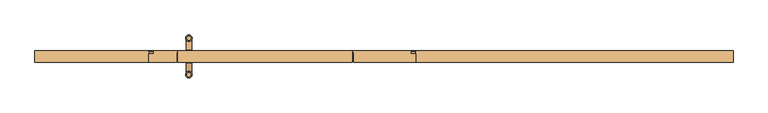
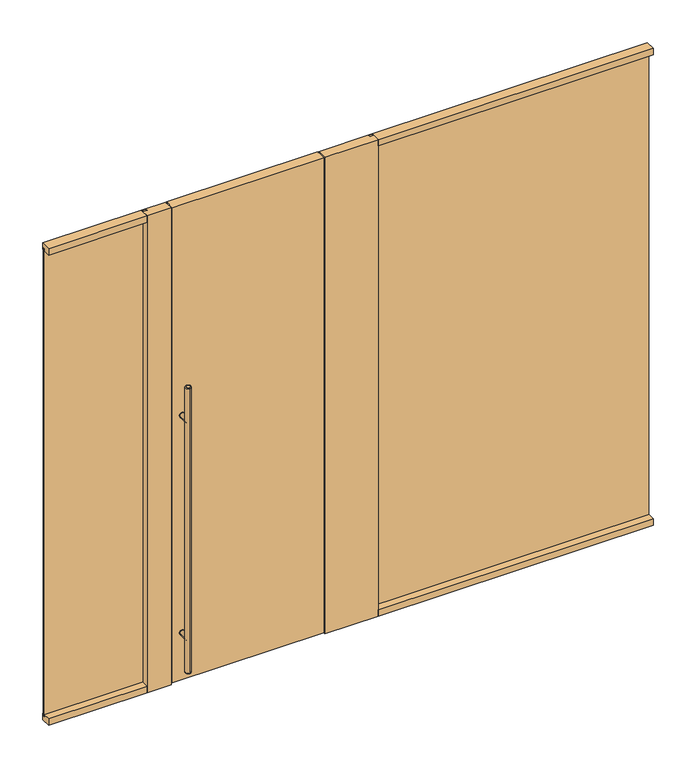
"""IFC4 building model written with IfcOpenShell, lengths in millimetres: door geometry."""

from ifc_helpers import new_model, si_unit, point, frame, frame_2d, origin, origin_with_axes, place, context, project, spatial, polyline, circle_curve, ellipse_curve, trimmed, segment, composite_curve, outline, extrude, faceted_brep, source, transform, mapped, element, save
from ifc_brep_helpers import plane_surface, cylinder_surface, revolved_surface, advanced_brep


def door_75eeff13(model_context):
    return source(origin(), model_context, "Body", "SolidModel", [
        extrude(outline(composite_curve([segment(trimmed(circle_curve(frame_2d((312.7375, -1022.35)), 15.875), [point((312.7375, -1006.475))], [point((312.7375, -1038.225))], False, "CARTESIAN"), True, "CONTINUOUS"), segment(trimmed(circle_curve(frame_2d((312.7375, -1022.35)), 15.875), [point((312.7375, -1038.225))], [point((312.7375, -1006.475))], False, "CARTESIAN"), True, "CONTINUOUS")], self_intersect=False)), frame((0.0, 30.1625, 0.0), z_axis=(0.0, 1.0, 0.0), x_axis=(0.0, 0.0, 1.0)), (0.0, 0.0, 1.0), 3.175),
        extrude(outline(composite_curve([segment(trimmed(circle_curve(frame_2d((1703.3875, -1022.35)), 15.875), [point((1703.3875, -1038.225))], [point((1703.3875, -1006.475))], False, "CARTESIAN"), True, "CONTINUOUS"), segment(trimmed(circle_curve(frame_2d((1703.3875, -1022.35)), 15.875), [point((1703.3875, -1006.475))], [point((1703.3875, -1038.225))], False, "CARTESIAN"), True, "CONTINUOUS")], self_intersect=False)), frame((0.0, 30.1625, 0.0), z_axis=(0.0, 1.0, 0.0), x_axis=(0.0, 0.0, 1.0)), (0.0, 0.0, 1.0), 3.175),
        extrude(outline(composite_curve([segment(trimmed(circle_curve(frame_2d((312.7375, -1022.35)), 15.875), [point((312.7375, -1006.475))], [point((312.7375, -1038.225))], False, "CARTESIAN"), True, "CONTINUOUS"), segment(trimmed(circle_curve(frame_2d((312.7375, -1022.35)), 15.875), [point((312.7375, -1038.225))], [point((312.7375, -1006.475))], False, "CARTESIAN"), True, "CONTINUOUS")], self_intersect=False)), frame((0.0, -33.3375, 0.0), z_axis=(0.0, 1.0, 0.0), x_axis=(0.0, 0.0, 1.0)), (0.0, 0.0, 1.0), 3.175),
        extrude(outline(composite_curve([segment(trimmed(circle_curve(frame_2d((1703.3875, -1022.35)), 15.875), [point((1703.3875, -1006.475))], [point((1703.3875, -1038.225))], False, "CARTESIAN"), True, "CONTINUOUS"), segment(trimmed(circle_curve(frame_2d((1703.3875, -1022.35)), 15.875), [point((1703.3875, -1038.225))], [point((1703.3875, -1006.475))], False, "CARTESIAN"), True, "CONTINUOUS")], self_intersect=False)), frame((0.0, -33.3375, 0.0), z_axis=(0.0, 1.0, 0.0), x_axis=(0.0, 0.0, 1.0)), (0.0, 0.0, 1.0), 3.175),
        extrude(outline(composite_curve([segment(trimmed(circle_curve(frame_2d((312.7375, -1022.35)), 14.2875), [point((312.7375, -1036.6375))], [point((312.7375, -1008.0625))], False, "CARTESIAN"), True, "CONTINUOUS"), segment(trimmed(circle_curve(frame_2d((312.7375, -1022.35)), 14.2875), [point((312.7375, -1008.0625))], [point((312.7375, -1036.6375))], False, "CARTESIAN"), True, "CONTINUOUS")], self_intersect=False)), frame((0.0, -95.25, 0.0), z_axis=(0.0, 1.0, 0.0), x_axis=(0.0, 0.0, 1.0)), (0.0, 0.0, 1.0), 65.0875),
        extrude(outline(composite_curve([segment(trimmed(circle_curve(frame_2d((1703.3875, -1022.35)), 14.2875), [point((1703.3875, -1036.6375))], [point((1703.3875, -1008.0625))], False, "CARTESIAN"), True, "CONTINUOUS"), segment(trimmed(circle_curve(frame_2d((1703.3875, -1022.35)), 14.2875), [point((1703.3875, -1008.0625))], [point((1703.3875, -1036.6375))], False, "CARTESIAN"), True, "CONTINUOUS")], self_intersect=False)), frame((0.0, -95.25, 0.0), z_axis=(0.0, 1.0, 0.0), x_axis=(0.0, 0.0, 1.0)), (0.0, 0.0, 1.0), 65.0875),
        advanced_brep(
        [(-1022.35, 84.455, 1924.05), (-1022.35, 106.045, 1924.05), (-1022.35, 106.045, 95.25), (-1022.35, 84.455, 95.25), (-1022.35, 112.395, 101.6), (-1022.35, 78.105, 101.6), (-1022.35, 78.105, 1917.7), (-1022.35, 112.395, 1917.7)],
        [
            (0, 1, circle_curve(frame((-1022.35, 95.25, 1924.05), z_axis=(0.0, 0.0, 1.0), x_axis=(0.0, -1.0, 0.0)), 10.795)),
            (1, 0, circle_curve(frame((-1022.35, 95.25, 1924.05), z_axis=(0.0, 0.0, 1.0), x_axis=(0.0, -1.0, 0.0)), 10.795)),
            (2, 3, circle_curve(frame((-1022.35, 95.25, 95.25), z_axis=(0.0, 0.0, -1.0), x_axis=(0.0, -1.0, 0.0)), 10.795)),
            (3, 2, circle_curve(frame((-1022.35, 95.25, 95.25), z_axis=(0.0, 0.0, -1.0), x_axis=(0.0, -1.0, 0.0)), 10.795)),
            (4, 5, circle_curve(frame((-1022.35, 95.25, 101.6), z_axis=(0.0, 0.0, 1.0), x_axis=(0.0, -1.0, 0.0)), 17.145)),
            (5, 6),
            (6, 7, circle_curve(frame((-1022.35, 95.25, 1917.7), z_axis=(0.0, 0.0, -1.0), x_axis=(0.0, -1.0, 0.0)), 17.145)),
            (7, 4),
            (5, 4, circle_curve(frame((-1022.35, 95.25, 101.6), z_axis=(0.0, 0.0, 1.0), x_axis=(0.0, -1.0, 0.0)), 17.145)),
            (7, 6, circle_curve(frame((-1022.35, 95.25, 1917.7), z_axis=(0.0, 0.0, -1.0), x_axis=(0.0, -1.0, 0.0)), 17.145)),
            (2, 4, circle_curve(frame((-1022.35, 106.045, 101.6), z_axis=(1.0, 0.0, 0.0), x_axis=(0.0, 1.0, 0.0)), 6.35)),
            (5, 3, circle_curve(frame((-1022.35, 84.455, 101.6), z_axis=(1.0, 0.0, 0.0), x_axis=(0.0, -1.0, 0.0)), 6.35)),
            (7, 1, circle_curve(frame((-1022.35, 106.045, 1917.7), z_axis=(1.0, 0.0, 0.0), x_axis=(0.0, 1.0, 0.0)), 6.35)),
            (0, 6, circle_curve(frame((-1022.35, 84.455, 1917.7), z_axis=(1.0, 0.0, 0.0), x_axis=(0.0, -1.0, 0.0)), 6.35)),
        ],
        [
            plane_surface(frame((-1022.35, -112.395, 1924.05), z_axis=(0.0, 0.0, 1.0), x_axis=(1.0, 0.0, 0.0))),
            plane_surface(frame((-1022.35, -112.395, 95.25), z_axis=(0.0, 0.0, -1.0), x_axis=(-1.0, 0.0, 0.0))),
            cylinder_surface(frame((-1022.35, 95.25, 95.25), z_axis=(0.0, 0.0, 1.0), x_axis=(0.0, -1.0, 0.0)), 17.145),
            revolved_surface(trimmed(ellipse_curve(frame((-1022.35, 84.455, 101.6), z_axis=(-1.0, 0.0, 0.0), x_axis=(0.0, -1.0, 0.0)), 6.35, 6.35), [point((-1022.35, 84.455, 95.25))], [point((-1022.35, 78.105, 101.6))], True, "CARTESIAN"), (-1022.35, 95.25, 2533.65), (0.0, 0.0, 1.0)),
            revolved_surface(trimmed(ellipse_curve(frame((-1022.35, 84.455, 1917.7), z_axis=(-1.0, 0.0, 0.0), x_axis=(0.0, -1.0, 0.0)), 6.35, 6.35), [point((-1022.35, 78.105, 1917.7))], [point((-1022.35, 84.455, 1924.05))], True, "CARTESIAN"), (-1022.35, 95.25, -514.35), (0.0, 0.0, 1.0)),
        ],
        [
            (0, [[1, 2]]),
            (1, [[3, 4]]),
            (2, [[5, 6, 7, 8]]),
            (2, [[9, -8, 10, -6]]),
            (3, [[11, -9, 12, -3]]),
            (3, [[-11, -4, -12, -5]]),
            (4, [[13, -1, 14, -10]]),
            (4, [[-13, -7, -14, -2]]),
        ],
    ),
        advanced_brep(
        [(-1022.35, -106.045, 1924.05), (-1022.35, -84.455, 1924.05), (-1022.35, -84.455, 95.25), (-1022.35, -106.045, 95.25), (-1022.35, -78.105, 101.6), (-1022.35, -112.395, 101.6), (-1022.35, -112.395, 1917.7), (-1022.35, -78.105, 1917.7)],
        [
            (0, 1, circle_curve(frame((-1022.35, -95.25, 1924.05), z_axis=(0.0, 0.0, 1.0), x_axis=(0.0, 1.0, 0.0)), 10.795)),
            (1, 0, circle_curve(frame((-1022.35, -95.25, 1924.05), z_axis=(0.0, 0.0, 1.0), x_axis=(0.0, 1.0, 0.0)), 10.795)),
            (2, 3, circle_curve(frame((-1022.35, -95.25, 95.25), z_axis=(0.0, 0.0, -1.0), x_axis=(0.0, 1.0, 0.0)), 10.795)),
            (3, 2, circle_curve(frame((-1022.35, -95.25, 95.25), z_axis=(0.0, 0.0, -1.0), x_axis=(0.0, 1.0, 0.0)), 10.795)),
            (4, 5, circle_curve(frame((-1022.35, -95.25, 101.6), z_axis=(0.0, 0.0, 1.0), x_axis=(0.0, -1.0, 0.0)), 17.145)),
            (5, 6),
            (6, 7, circle_curve(frame((-1022.35, -95.25, 1917.7), z_axis=(0.0, 0.0, -1.0), x_axis=(0.0, -1.0, 0.0)), 17.145)),
            (7, 4),
            (5, 4, circle_curve(frame((-1022.35, -95.25, 101.6), z_axis=(0.0, 0.0, 1.0), x_axis=(0.0, -1.0, 0.0)), 17.145)),
            (7, 6, circle_curve(frame((-1022.35, -95.25, 1917.7), z_axis=(0.0, 0.0, -1.0), x_axis=(0.0, -1.0, 0.0)), 17.145)),
            (5, 3, circle_curve(frame((-1022.35, -106.045, 101.6), z_axis=(1.0, 0.0, 0.0), x_axis=(0.0, -1.0, 0.0)), 6.35)),
            (2, 4, circle_curve(frame((-1022.35, -84.455, 101.6), z_axis=(1.0, 0.0, 0.0), x_axis=(0.0, 1.0, 0.0)), 6.35)),
            (0, 6, circle_curve(frame((-1022.35, -106.045, 1917.7), z_axis=(1.0, 0.0, 0.0), x_axis=(0.0, -1.0, 0.0)), 6.35)),
            (7, 1, circle_curve(frame((-1022.35, -84.455, 1917.7), z_axis=(1.0, 0.0, 0.0), x_axis=(0.0, 1.0, 0.0)), 6.35)),
        ],
        [
            plane_surface(frame((-1022.35, -112.395, 1924.05), z_axis=(0.0, 0.0, 1.0), x_axis=(1.0, 0.0, 0.0))),
            plane_surface(frame((-1022.35, -112.395, 95.25), z_axis=(0.0, 0.0, -1.0), x_axis=(-1.0, 0.0, 0.0))),
            cylinder_surface(frame((-1022.35, -95.25, 95.25), z_axis=(0.0, 0.0, 1.0), x_axis=(0.0, -1.0, 0.0)), 17.145),
            revolved_surface(trimmed(ellipse_curve(frame((-1022.35, -84.455, 101.6), z_axis=(-1.0, 0.0, 0.0), x_axis=(0.0, 1.0, 0.0)), 6.35, 6.35), [point((-1022.35, -78.105, 101.6))], [point((-1022.35, -84.455, 95.25))], True, "CARTESIAN"), (-1022.35, -95.25, 2533.65), (0.0, 0.0, -1.0)),
            revolved_surface(trimmed(ellipse_curve(frame((-1022.35, -84.455, 1917.7), z_axis=(-1.0, 0.0, 0.0), x_axis=(0.0, 1.0, 0.0)), 6.35, 6.35), [point((-1022.35, -84.455, 1924.05))], [point((-1022.35, -78.105, 1917.7))], True, "CARTESIAN"), (-1022.35, -95.25, -514.35), (0.0, 0.0, -1.0)),
        ],
        [
            (0, [[1, 2]]),
            (1, [[3, 4]]),
            (2, [[5, 6, 7, 8]]),
            (2, [[9, -8, 10, -6]]),
            (3, [[11, -3, 12, -9]]),
            (3, [[-11, -5, -12, -4]]),
            (4, [[13, -10, 14, -1]]),
            (4, [[-13, -2, -14, -7]]),
        ],
    ),
        extrude(outline(composite_curve([segment(trimmed(circle_curve(frame_2d((312.7375, -1022.35)), 14.2875), [point((312.7375, -1036.6375))], [point((312.7375, -1008.0625))], False, "CARTESIAN"), True, "CONTINUOUS"), segment(trimmed(circle_curve(frame_2d((312.7375, -1022.35)), 14.2875), [point((312.7375, -1008.0625))], [point((312.7375, -1036.6375))], False, "CARTESIAN"), True, "CONTINUOUS")], self_intersect=False)), frame((0.0, 30.1625, 0.0), z_axis=(0.0, 1.0, 0.0), x_axis=(0.0, 0.0, 1.0)), (0.0, 0.0, 1.0), 65.0875),
        extrude(outline(composite_curve([segment(trimmed(circle_curve(frame_2d((1703.3875, -1022.35)), 14.2875), [point((1703.3875, -1036.6375))], [point((1703.3875, -1008.0625))], False, "CARTESIAN"), True, "CONTINUOUS"), segment(trimmed(circle_curve(frame_2d((1703.3875, -1022.35)), 14.2875), [point((1703.3875, -1008.0625))], [point((1703.3875, -1036.6375))], False, "CARTESIAN"), True, "CONTINUOUS")], self_intersect=False)), frame((0.0, 30.1625, 0.0), z_axis=(0.0, 1.0, 0.0), x_axis=(0.0, 0.0, 1.0)), (0.0, 0.0, 1.0), 65.0875),
        faceted_brep([(-165.1, -30.1625, 3048.0), (-165.1, -30.1625, 9.525), (-165.1, 17.4625, 9.525), (-165.1, 17.4625, 3006.725), (-165.1, 14.2875, 3006.725), (-165.1, 14.2875, 3019.425), (-165.1, 17.4625, 3019.425), (-165.1, 17.4625, 3009.9), (-165.1, 30.1625, 3009.9), (-165.1, 30.1625, 3048.0), (-174.625, 17.4625, 9.525), (-174.625, 17.4625, 3006.725), (-174.625, 30.1625, 9.525), (-1079.5, -30.1625, 9.525), (-1079.5, 17.4625, 9.525), (-1069.975, 17.4625, 9.525), (-1069.975, 30.1625, 9.525), (-1079.5, -30.1625, 3048.0), (-1079.5, 17.4625, 3009.9), (-1079.5, 17.4625, 3019.425), (-1079.5, 14.2875, 3019.425), (-1079.5, 14.2875, 3006.725), (-1079.5, 17.4625, 3006.725), (-1079.5, 30.1625, 3048.0), (-1079.5, 30.1625, 3009.9), (-1069.975, 17.4625, 3006.725), (-1069.975, 30.1625, 3006.725), (-174.625, 30.1625, 3006.725)], [[[0, 1, 2, 3, 4, 5, 6, 7, 8, 9]], [[10, 11, 3, 2]], [[12, 10, 2, 1, 13, 14, 15, 16]], [[17, 13, 1, 0]], [[18, 19, 20, 21, 22, 14, 13, 17, 23, 24]], [[14, 22, 25, 15]], [[16, 26, 27, 12]], [[24, 23, 9, 8]], [[12, 27, 11, 10]], [[15, 25, 26, 16]], [[9, 23, 17, 0]], [[7, 18, 24, 8]], [[19, 18, 7, 6]], [[6, 5, 20, 19]], [[21, 20, 5, 4]], [[4, 3, 11, 27, 26, 25, 22, 21]]]),
        extrude(outline(polyline([(-1828.8, 14.2875), (-1828.8, 26.9875), (-1206.5, 26.9875), (-1206.5, 14.2875), (-1828.8, 14.2875)])), frame((0.0, 0.0, 28.575), z_axis=(0.0, 0.0, 1.0), x_axis=(1.0, 0.0, 0.0)), (0.0, 0.0, 1.0), 2990.85),
        extrude(outline(polyline([(1828.8, 14.2875), (139.7, 14.2875), (139.7, 26.9875), (1828.8, 26.9875), (1828.8, 14.2875)])), origin_with_axes(), (0.0, 0.0, 1.0), 3019.425),
        extrude(outline(polyline([(-168.275, 30.1625), (165.1, 30.1625), (165.1, 26.9875), (139.7, 26.9875), (139.7, 14.2875), (165.1, 14.2875), (165.1, -30.1625), (-158.75, -30.1625), (-158.75, 20.6375), (-168.275, 20.6375), (-168.275, 30.1625)])), origin_with_axes(), (0.0, 0.0, 1.0), 3048.0),
        extrude(outline(polyline([(-1231.9, 14.2875), (-1206.5, 14.2875), (-1206.5, 26.9875), (-1231.9, 26.9875), (-1231.9, 30.1625), (-1076.325, 30.1625), (-1076.325, 20.6375), (-1085.85, 20.6375), (-1085.85, -30.1625), (-1231.9, -30.1625), (-1231.9, 14.2875)])), origin_with_axes(), (0.0, 0.0, 1.0), 3048.0),
        extrude(outline(polyline([(-30.1625, 3048.0), (30.1625, 3048.0), (30.1625, 3006.725), (26.9875, 3006.725), (26.9875, 3019.425), (14.2875, 3019.425), (14.2875, 3006.725), (-30.1625, 3006.725), (-30.1625, 3048.0)])), frame((-1828.8, 0.0, 0.0), z_axis=(1.0, 0.0, 0.0), x_axis=(0.0, 1.0, 0.0)), (0.0, 0.0, 1.0), 596.9),
        extrude(outline(polyline([(-30.1625, 3048.0), (30.1625, 3048.0), (30.1625, 3006.725), (26.9875, 3006.725), (26.9875, 3019.425), (14.2875, 3019.425), (14.2875, 3006.725), (-30.1625, 3006.725), (-30.1625, 3048.0)])), frame((165.1, 0.0, 0.0), z_axis=(1.0, 0.0, 0.0), x_axis=(0.0, 1.0, 0.0)), (0.0, 0.0, 1.0), 1663.7),
        extrude(outline(polyline([(-30.1625, 0.0), (-30.1625, 41.275), (14.2875, 41.275), (14.2875, 28.575), (26.9875, 28.575), (26.9875, 41.275), (30.1625, 41.275), (30.1625, 0.0), (-30.1625, 0.0)])), frame((-1828.8, 0.0, 0.0), z_axis=(1.0, 0.0, 0.0), x_axis=(0.0, 1.0, 0.0)), (0.0, 0.0, 1.0), 596.9),
        extrude(outline(polyline([(-30.1625, 0.0), (-30.1625, 41.275), (14.2875, 41.275), (14.2875, 28.575), (26.9875, 28.575), (26.9875, 41.275), (30.1625, 41.275), (30.1625, 0.0), (-30.1625, 0.0)])), frame((165.1, 0.0, 0.0), z_axis=(1.0, 0.0, 0.0), x_axis=(0.0, 1.0, 0.0)), (0.0, 0.0, 1.0), 1663.7),
    ])


if __name__ == "__main__":
    model = new_model("IFC4")
    model_context = context("Model", 3, world=origin())
    ifc_project = project(units=[si_unit("LENGTHUNIT", "METRE", prefix="MILLI")], contexts=[model_context])
    site = spatial("IfcSite", under=ifc_project)
    building = spatial("IfcBuilding", under=site)
    placement = place(None, origin())
    door_shape = door_75eeff13(model_context)
    element("IfcDoor", 1, at=placement, inside=building, context=model_context, shape_type="MappedRepresentation", body=[
        mapped(door_shape, transform((0.0, 0.0, 0.0), x_axis=(1.0, 0.0, 0.0), y_axis=(0.0, 1.0, 0.0), z_axis=(0.0, 0.0, 1.0))),
    ])
    save(model, "model.ifc")
